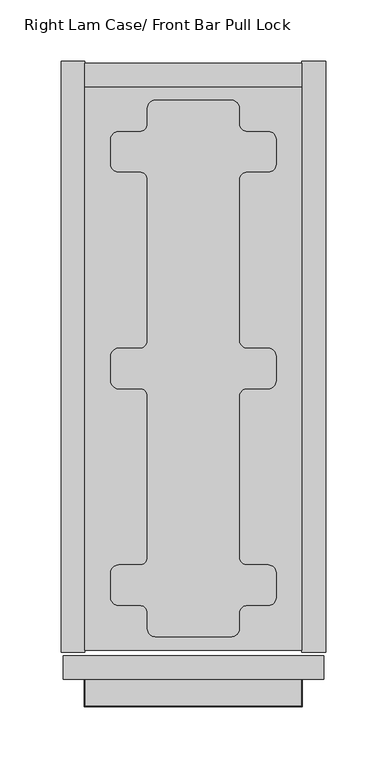
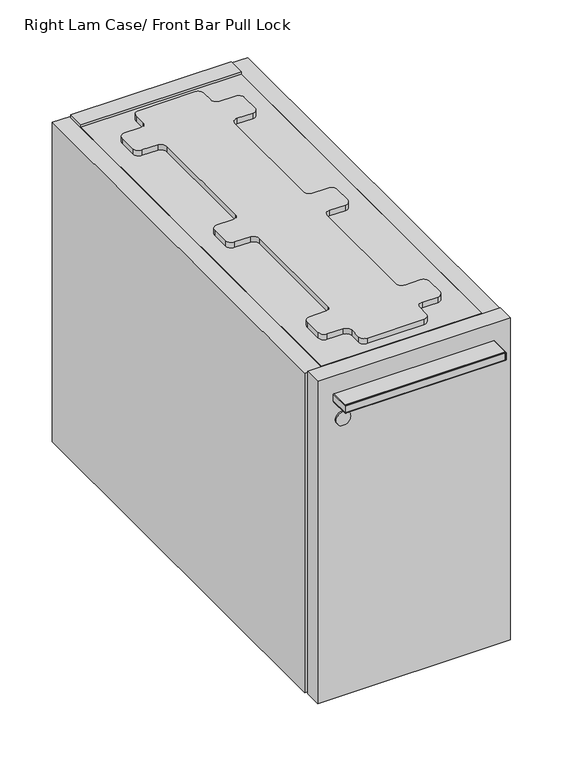
"""IFC4 building model written with IfcOpenShell, lengths in millimetres: furniture geometry, Right Lam Case/ Front Bar Pull Lock."""

from ifc_helpers import new_model, si_unit, point, frame, frame_2d, origin, place, context, project, spatial, polyline, circle_curve, ellipse_curve, trimmed, segment, composite_curve, outline, extrude, source, transform, mapped, element, save
from ifc_brep_helpers import plane_surface, cylinder_surface, revolved_surface, advanced_brep


def right_lam_case_front_bar_pull_lock_10119418(model_context):
    return source(origin(), model_context, "Body", "SolidModel", [
        advanced_brep(
        [(19.7683778, -581.1520271, 637.437981), (49.4603655, -581.1520271, 637.437981), (49.4637762, -597.06699, 637.437981), (166.4396285, -597.06699, 637.437981), (166.4430392, -581.1520271, 637.437981), (196.1316162, -581.1520271, 637.437981), (196.1316162, -602.6150339, 637.437981), (19.7683778, -602.6150339, 637.437981), (196.1316162, -581.1520271, 646.962981), (19.7683778, -581.1520271, 646.962981), (19.7683778, -602.6150339, 646.962981), (196.1316162, -602.6150339, 646.962981), (165.6442639, -581.1520271, 638.1487745), (159.3341925, -581.1520271, 643.7879532), (56.5658015, -581.1520271, 643.7879532), (50.2557301, -581.1520271, 638.1487745), (56.5658015, -597.06699, 643.7879532), (159.3341925, -597.06699, 643.7879532), (165.6442639, -597.06699, 638.1487745), (50.2557301, -597.06699, 638.1487745)],
        [
            (0, 1),
            (1, 2),
            (2, 3),
            (3, 4),
            (4, 5),
            (5, 6),
            (6, 7),
            (7, 0),
            (8, 9),
            (9, 10),
            (10, 11),
            (11, 8),
            (8, 5),
            (4, 12, circle_curve(frame((166.4396285, -581.1520271, 638.2383687), z_axis=(0.0, 1.0, 0.0), x_axis=(0.0, 0.0, -1.0)), 0.8003949)),
            (12, 13, circle_curve(frame((159.3341925, -581.1520271, 637.4379738), z_axis=(0.0, -1.0, 0.0), x_axis=(0.0, 0.0, -1.0)), 6.3499794)),
            (13, 14),
            (14, 15, circle_curve(frame((56.5658015, -581.1520271, 637.4379738), z_axis=(0.0, -1.0, 0.0), x_axis=(0.0, 0.0, -1.0)), 6.3499794)),
            (15, 1, circle_curve(frame((49.4603655, -581.1520271, 638.2383687), z_axis=(0.0, 1.0, 0.0), x_axis=(0.0, 0.0, -1.0)), 0.8003949)),
            (0, 9),
            (7, 10),
            (6, 11),
            (16, 17),
            (17, 18, circle_curve(frame((159.3341925, -597.06699, 637.4379738), z_axis=(0.0, 1.0, 0.0), x_axis=(0.0, 0.0, -1.0)), 6.3499794)),
            (18, 3, circle_curve(frame((166.4396285, -597.06699, 638.2383687), z_axis=(0.0, -1.0, 0.0), x_axis=(0.0, 0.0, -1.0)), 0.8003949)),
            (2, 19, circle_curve(frame((49.4603655, -597.06699, 638.2383687), z_axis=(0.0, -1.0, 0.0), x_axis=(0.0, 0.0, -1.0)), 0.8003949)),
            (19, 16, circle_curve(frame((56.5658015, -597.06699, 637.4379738), z_axis=(0.0, 1.0, 0.0), x_axis=(0.0, 0.0, -1.0)), 6.3499794)),
            (19, 15),
            (14, 16),
            (18, 12),
            (17, 13),
        ],
        [
            plane_surface(frame((-88.5000089, -581.1520271, 637.437981), z_axis=(0.0, 0.0, -1.0), x_axis=(-1.0, 0.0, 0.0))),
            plane_surface(frame((-88.5000089, -581.1520271, 646.962981), z_axis=(0.0, 0.0, 1.0), x_axis=(1.0, 0.0, 0.0))),
            plane_surface(frame((196.1316162, -581.1520271, 637.437981), z_axis=(0.0, 1.0, 0.0), x_axis=(0.0, 0.0, 1.0))),
            plane_surface(frame((19.7683778, -581.1520271, 637.437981), z_axis=(-1.0, 0.0, 0.0), x_axis=(0.0, 0.0, 1.0))),
            plane_surface(frame((19.7683778, -602.6150339, 637.437981), z_axis=(0.0, -1.0, 0.0), x_axis=(0.0, 0.0, 1.0))),
            plane_surface(frame((196.1316162, -602.6150339, 637.437981), z_axis=(1.0, 0.0, 0.0), x_axis=(0.0, 0.0, 1.0))),
            plane_surface(frame((107.949997, -597.06699, 642.200481), z_axis=(0.0, 1.0, 0.0), x_axis=(-1.0, 0.0, 0.0))),
            revolved_surface(polyline([(56.5658015, -581.1520271, 631.0879944), (56.5658015, -597.06699, 631.0879944)]), (56.5658015, -581.1520271, 637.4379738), (0.0, 1.0, 0.0)),
            cylinder_surface(frame((49.4603655, -581.1520271, 638.2383687), z_axis=(0.0, -1.0, 0.0), x_axis=(0.0, 0.0, -1.0)), 0.8003949),
            cylinder_surface(frame((166.4396285, -581.1520271, 638.2383687), z_axis=(0.0, -1.0, 0.0), x_axis=(0.0, 0.0, -1.0)), 0.8003949),
            revolved_surface(polyline([(159.3341925, -581.1520271, 631.0879944), (159.3341925, -597.06699, 631.0879944)]), (159.3341925, -581.1520271, 637.4379738), (0.0, 1.0, 0.0)),
            plane_surface(frame((159.3341925, -581.1520271, 643.7879532), z_axis=(0.0, 0.0, -1.0), x_axis=(0.0, -1.0, 0.0))),
        ],
        [
            (0, [[1, 2, 3, 4, 5, 6, 7, 8]]),
            (1, [[9, 10, 11, 12]]),
            (2, [[13, -5, 14, 15, 16, 17, 18, -1, 19, -9]]),
            (3, [[20, -10, -19, -8]]),
            (4, [[21, -11, -20, -7]]),
            (5, [[-13, -12, -21, -6]]),
            (6, [[22, 23, 24, -3, 25, 26]]),
            (7, [[27, -17, 28, -26]]),
            (8, [[-2, -18, -27, -25]]),
            (9, [[29, -14, -4, -24]]),
            (10, [[30, -15, -29, -23]]),
            (11, [[-28, -16, -30, -22]]),
        ],
    ),
        advanced_brep(
        [(196.1316162, -581.1520271, 637.4379629), (196.1316162, -581.1520271, 646.9577374), (196.8935973, -581.1520271, 646.1957018), (196.8935973, -581.1520271, 638.1999258), (196.8935973, -603.377015, 638.1999258), (196.1316162, -602.6150339, 637.4379629), (196.8935973, -603.377015, 646.1957018), (196.1316162, -602.6150339, 646.9577374), (19.0063967, -603.377015, 638.1999258), (19.7683778, -602.6150339, 637.4379629), (19.0063967, -603.377015, 646.1957018), (19.7683778, -602.6150339, 646.9577374), (19.7683778, -581.1520271, 637.4379629), (19.0063967, -581.1520271, 638.1999258), (19.0063967, -581.1520271, 646.1957018), (19.7683778, -581.1520271, 646.9577374)],
        [
            (0, 1),
            (1, 2, circle_curve(frame((196.1315617, -581.1520271, 646.1957018), z_axis=(0.0, 1.0, 0.0), x_axis=(-1.0, 0.0, 0.0)), 0.7620356)),
            (2, 3),
            (3, 0, circle_curve(frame((196.1316343, -581.1520271, 638.1999258), z_axis=(0.0, 1.0, 0.0), x_axis=(-1.0, 0.0, 0.0)), 0.7619629)),
            (3, 4),
            (4, 5, ellipse_curve(frame((196.1316343, -602.6150521, 638.1999258), z_axis=(0.7071067811865492, 0.7071067811865458, 0.0), x_axis=(-0.7071067811865457, 0.7071067811865492, 0.0)), 1.0775783, 0.7619629)),
            (5, 0),
            (2, 6),
            (6, 4),
            (1, 7),
            (7, 6, ellipse_curve(frame((196.1315617, -602.6149794, 646.1957018), z_axis=(0.7071067811865492, 0.7071067811865458, 0.0), x_axis=(-0.7071067811865457, 0.7071067811865492, 0.0)), 1.0776811, 0.7620356)),
            (5, 7),
            (4, 8),
            (8, 9, ellipse_curve(frame((19.7683596, -602.6150521, 638.1999258), z_axis=(0.7071067811865458, -0.7071067811865492, 0.0), x_axis=(0.7071067811865492, 0.7071067811865457, 0.0)), 1.0775783, 0.7619629)),
            (9, 5),
            (6, 10),
            (10, 8),
            (7, 11),
            (11, 10, ellipse_curve(frame((19.7684323, -602.6149794, 646.1957018), z_axis=(0.7071067811865458, -0.7071067811865492, 0.0), x_axis=(0.7071067811865492, 0.7071067811865457, 0.0)), 1.0776811, 0.7620356)),
            (9, 11),
            (12, 13, circle_curve(frame((19.7683596, -581.1520271, 638.1999258), z_axis=(0.0, 1.0, 0.0), x_axis=(1.0, 0.0, 0.0)), 0.7619629)),
            (13, 14),
            (14, 15, circle_curve(frame((19.7684323, -581.1520271, 646.1957018), z_axis=(0.0, 1.0, 0.0), x_axis=(1.0, 0.0, 0.0)), 0.7620356)),
            (15, 12),
            (8, 13),
            (12, 9),
            (10, 14),
            (11, 15),
        ],
        [
            plane_surface(frame((196.5959942, -581.1520271, 642.200481), z_axis=(0.0, 1.0, 0.0), x_axis=(0.0, 0.0, 1.0))),
            cylinder_surface(frame((196.1316343, -581.1520271, 638.1999258), z_axis=(0.0, 1.0, 0.0), x_axis=(-1.0, 0.0, 0.0)), 0.7619629),
            plane_surface(frame((196.8935973, -581.1520271, 638.1999258), z_axis=(1.0, 0.0, 0.0), x_axis=(0.0, -1.0, 0.0))),
            cylinder_surface(frame((196.1315617, -581.1520271, 646.1957018), z_axis=(0.0, 1.0, 0.0), x_axis=(-1.0, 0.0, 0.0)), 0.7620356),
            plane_surface(frame((196.1316162, -581.1520271, 646.9577374), z_axis=(-1.0, 0.0, 0.0), x_axis=(0.0, -1.0, 0.0))),
            cylinder_surface(frame((196.5959942, -602.6150521, 638.1999258), z_axis=(1.0, 0.0, 0.0), x_axis=(0.0, 1.0, 0.0)), 0.7619629),
            plane_surface(frame((196.8935973, -603.377015, 638.1999258), z_axis=(0.0, -1.0, 0.0), x_axis=(-1.0, 0.0, 0.0))),
            cylinder_surface(frame((196.5959942, -602.6149794, 646.1957018), z_axis=(1.0, 0.0, 0.0), x_axis=(0.0, 1.0, 0.0)), 0.7620356),
            plane_surface(frame((196.1316162, -602.6150339, 646.9577374), z_axis=(0.0, 1.0, 0.0), x_axis=(-1.0, 0.0, 0.0))),
            plane_surface(frame((19.3039998, -581.1520271, 642.200481), z_axis=(0.0, 1.0, 0.0), x_axis=(0.0, 0.0, 1.0))),
            cylinder_surface(frame((19.7683596, -603.0794119, 638.1999258), z_axis=(0.0, -1.0, 0.0), x_axis=(1.0, 0.0, 0.0)), 0.7619629),
            plane_surface(frame((19.0063967, -603.377015, 638.1999258), z_axis=(-1.0, 0.0, 0.0), x_axis=(0.0, 1.0, 0.0))),
            cylinder_surface(frame((19.7684323, -603.0794119, 646.1957018), z_axis=(0.0, -1.0, 0.0), x_axis=(1.0, 0.0, 0.0)), 0.7620356),
            plane_surface(frame((19.7683778, -602.6150339, 646.9577374), z_axis=(1.0, 0.0, 0.0), x_axis=(0.0, 1.0, 0.0))),
        ],
        [
            (0, [[1, 2, 3, 4]]),
            (1, [[5, 6, 7, -4]]),
            (2, [[8, 9, -5, -3]]),
            (3, [[10, 11, -8, -2]]),
            (4, [[-7, 12, -10, -1]]),
            (5, [[13, 14, 15, -6]]),
            (6, [[16, 17, -13, -9]]),
            (7, [[18, 19, -16, -11]]),
            (8, [[-15, 20, -18, -12]]),
            (9, [[21, 22, 23, 24]]),
            (10, [[25, -21, 26, -14]]),
            (11, [[27, -22, -25, -17]]),
            (12, [[28, -23, -27, -19]]),
            (13, [[-26, -24, -28, -20]]),
        ],
    ),
        extrude(outline(composite_curve([segment(trimmed(circle_curve(frame_2d((615.8130852, 29.0898123)), 8.0010015), [point((615.8130852, 37.0908138))], [point((615.8130852, 21.0888109))], False, "CARTESIAN"), True, "CONTINUOUS"), segment(trimmed(circle_curve(frame_2d((615.8130852, 29.0898123)), 8.0010015), [point((615.8130852, 21.0888109))], [point((615.8130852, 37.0908138))], False, "CARTESIAN"), True, "CONTINUOUS")], self_intersect=False)), frame((0.0, -582.7395029, 0.0), z_axis=(0.0, 1.0, 0.0), x_axis=(0.0, 0.0, 1.0)), (0.0, 0.0, 1.0), 1.5874758),
        extrude(outline(composite_curve([segment(trimmed(circle_curve(frame_2d((139.0999988, -114.4669956)), 6.3499939), [point((139.0999988, -108.1170017))], [point((145.4499927, -114.4669956))], False, "CARTESIAN"), True, "CONTINUOUS"), segment(polyline([(145.4499927, -114.4669956), (145.4499927, -127.2670047)]), True, "CONTINUOUS"), segment(trimmed(circle_curve(frame_2d((151.7999957, -127.2670047)), 6.350003), [point((145.4499927, -127.2670047))], [point((151.7999957, -133.6170077))], True, "CARTESIAN"), True, "CONTINUOUS"), segment(polyline([(151.7999957, -133.6170077), (169.0999981, -133.6170077)]), True, "CONTINUOUS"), segment(trimmed(circle_curve(frame_2d((169.0999981, -139.9670016)), 6.3499939), [point((169.0999981, -133.6170077))], [point((175.449992, -139.9670016))], False, "CARTESIAN"), True, "CONTINUOUS"), segment(polyline([(175.449992, -139.9670016), (175.449992, -160.2670116)]), True, "CONTINUOUS"), segment(trimmed(circle_curve(frame_2d((169.0999936, -160.2670116)), 6.3499985), [point((175.449992, -160.2670116))], [point((169.0999936, -166.6170101))], False, "CARTESIAN"), True, "CONTINUOUS"), segment(polyline([(169.0999936, -166.6170101), (151.7999957, -166.6170101)]), True, "CONTINUOUS"), segment(trimmed(circle_curve(frame_2d((151.7999957, -172.9670131)), 6.350003), [point((151.7999957, -166.6170101))], [point((145.4499927, -172.9670131))], True, "CARTESIAN"), True, "CONTINUOUS"), segment(polyline([(145.4499927, -172.9670131), (145.4499927, -304.2670111)]), True, "CONTINUOUS"), segment(trimmed(circle_curve(frame_2d((151.7999957, -304.2670111)), 6.350003), [point((145.4499927, -304.2670111))], [point((151.7999957, -310.6170141))], True, "CARTESIAN"), True, "CONTINUOUS"), segment(polyline([(151.7999957, -310.6170141), (169.1000163, -310.6170141)]), True, "CONTINUOUS"), segment(trimmed(circle_curve(frame_2d((169.1000163, -316.9669899)), 6.3499758), [point((169.1000163, -310.6170141))], [point((175.449992, -316.9669899))], False, "CARTESIAN"), True, "CONTINUOUS"), segment(polyline([(175.449992, -316.9669899), (175.449992, -337.2670044)]), True, "CONTINUOUS"), segment(trimmed(circle_curve(frame_2d((169.1000163, -337.2670044)), 6.3499758), [point((175.449992, -337.2670044))], [point((169.1000163, -343.6169802))], False, "CARTESIAN"), True, "CONTINUOUS"), segment(polyline([(169.1000163, -343.6169802), (151.7999957, -343.6169802)]), True, "CONTINUOUS"), segment(trimmed(circle_curve(frame_2d((151.7999957, -349.9669832)), 6.350003), [point((151.7999957, -343.6169802))], [point((145.4499927, -349.9669832))], True, "CARTESIAN"), True, "CONTINUOUS"), segment(polyline([(145.4499927, -349.9669832), (145.4499927, -481.2669812)]), True, "CONTINUOUS"), segment(trimmed(circle_curve(frame_2d((151.7999957, -481.2669812)), 6.350003), [point((145.4499927, -481.2669812))], [point((151.7999957, -487.6169842))], True, "CARTESIAN"), True, "CONTINUOUS"), segment(polyline([(151.7999957, -487.6169842), (169.0999936, -487.6169842)]), True, "CONTINUOUS"), segment(trimmed(circle_curve(frame_2d((169.0999936, -493.9669827)), 6.3499985), [point((169.0999936, -487.6169842))], [point((175.449992, -493.9669827))], False, "CARTESIAN"), True, "CONTINUOUS"), segment(polyline([(175.449992, -493.9669827), (175.449992, -514.2669927)]), True, "CONTINUOUS"), segment(trimmed(circle_curve(frame_2d((169.0999981, -514.2669927)), 6.3499939), [point((175.449992, -514.2669927))], [point((169.0999981, -520.6169867))], False, "CARTESIAN"), True, "CONTINUOUS"), segment(polyline([(169.0999981, -520.6169867), (151.7999957, -520.6169867)]), True, "CONTINUOUS"), segment(trimmed(circle_curve(frame_2d((151.7999957, -526.9669897)), 6.350003), [point((151.7999957, -520.6169867))], [point((145.4499927, -526.9669897))], True, "CARTESIAN"), True, "CONTINUOUS"), segment(polyline([(145.4499927, -526.9669897), (145.4499927, -539.7669987)]), True, "CONTINUOUS"), segment(trimmed(circle_curve(frame_2d((139.0999988, -539.7669987)), 6.3499939), [point((145.4499927, -539.7669987))], [point((139.0999988, -546.1169927))], False, "CARTESIAN"), True, "CONTINUOUS"), segment(polyline([(139.0999988, -546.1169927), (76.7999952, -546.1169927)]), True, "CONTINUOUS"), segment(trimmed(circle_curve(frame_2d((76.7999952, -539.7669987)), 6.3499939), [point((76.7999952, -546.1169927))], [point((70.4500012, -539.7669987))], False, "CARTESIAN"), True, "CONTINUOUS"), segment(polyline([(70.4500012, -539.7669987), (70.4500012, -526.9669897)]), True, "CONTINUOUS"), segment(trimmed(circle_curve(frame_2d((64.0999982, -526.9669897)), 6.350003), [point((70.4500012, -526.9669897))], [point((64.0999982, -520.6169867))], True, "CARTESIAN"), True, "CONTINUOUS"), segment(polyline([(64.0999982, -520.6169867), (46.7999959, -520.6169867)]), True, "CONTINUOUS"), segment(trimmed(circle_curve(frame_2d((46.7999959, -514.2669927)), 6.3499939), [point((46.7999959, -520.6169867))], [point((40.4500019, -514.2669927))], False, "CARTESIAN"), True, "CONTINUOUS"), segment(polyline([(40.4500019, -514.2669927), (40.4500019, -493.9669827)]), True, "CONTINUOUS"), segment(trimmed(circle_curve(frame_2d((46.8000004, -493.9669827)), 6.3499985), [point((40.4500019, -493.9669827))], [point((46.8000004, -487.6169842))], False, "CARTESIAN"), True, "CONTINUOUS"), segment(polyline([(46.8000004, -487.6169842), (64.0999982, -487.6169842)]), True, "CONTINUOUS"), segment(trimmed(circle_curve(frame_2d((64.0999982, -481.2669812)), 6.350003), [point((64.0999982, -487.6169842))], [point((70.4500012, -481.2669812))], True, "CARTESIAN"), True, "CONTINUOUS"), segment(polyline([(70.4500012, -481.2669812), (70.4500012, -349.9669832)]), True, "CONTINUOUS"), segment(trimmed(circle_curve(frame_2d((64.0999982, -349.9669832)), 6.350003), [point((70.4500012, -349.9669832))], [point((64.0999982, -343.6169802))], True, "CARTESIAN"), True, "CONTINUOUS"), segment(polyline([(64.0999982, -343.6169802), (46.7999777, -343.6169802)]), True, "CONTINUOUS"), segment(trimmed(circle_curve(frame_2d((46.7999777, -337.2670044)), 6.3499758), [point((46.7999777, -343.6169802))], [point((40.4500019, -337.2670044))], False, "CARTESIAN"), True, "CONTINUOUS"), segment(polyline([(40.4500019, -337.2670044), (40.4500019, -316.9669899)]), True, "CONTINUOUS"), segment(trimmed(circle_curve(frame_2d((46.7999777, -316.9669899)), 6.3499758), [point((40.4500019, -316.9669899))], [point((46.7999777, -310.6170141))], False, "CARTESIAN"), True, "CONTINUOUS"), segment(polyline([(46.7999777, -310.6170141), (64.0999982, -310.6170141)]), True, "CONTINUOUS"), segment(trimmed(circle_curve(frame_2d((64.0999982, -304.2670111)), 6.350003), [point((64.0999982, -310.6170141))], [point((70.4500012, -304.2670111))], True, "CARTESIAN"), True, "CONTINUOUS"), segment(polyline([(70.4500012, -304.2670111), (70.4500012, -172.9670131)]), True, "CONTINUOUS"), segment(trimmed(circle_curve(frame_2d((64.0999982, -172.9670131)), 6.350003), [point((70.4500012, -172.9670131))], [point((64.0999982, -166.6170101))], True, "CARTESIAN"), True, "CONTINUOUS"), segment(polyline([(64.0999982, -166.6170101), (46.8000004, -166.6170101)]), True, "CONTINUOUS"), segment(trimmed(circle_curve(frame_2d((46.8000004, -160.2670116)), 6.3499985), [point((46.8000004, -166.6170101))], [point((40.4500019, -160.2670116))], False, "CARTESIAN"), True, "CONTINUOUS"), segment(polyline([(40.4500019, -160.2670116), (40.4500019, -139.9670016)]), True, "CONTINUOUS"), segment(trimmed(circle_curve(frame_2d((46.7999959, -139.9670016)), 6.3499939), [point((40.4500019, -139.9670016))], [point((46.7999959, -133.6170077))], False, "CARTESIAN"), True, "CONTINUOUS"), segment(polyline([(46.7999959, -133.6170077), (64.0999982, -133.6170077)]), True, "CONTINUOUS"), segment(trimmed(circle_curve(frame_2d((64.0999982, -127.2670047)), 6.350003), [point((64.0999982, -133.6170077))], [point((70.4500012, -127.2670047))], True, "CARTESIAN"), True, "CONTINUOUS"), segment(polyline([(70.4500012, -127.2670047), (70.4500012, -114.4669956)]), True, "CONTINUOUS"), segment(trimmed(circle_curve(frame_2d((76.7999952, -114.4669956)), 6.3499939), [point((70.4500012, -114.4669956))], [point((76.7999952, -108.1170017))], False, "CARTESIAN"), True, "CONTINUOUS"), segment(polyline([(76.7999952, -108.1170017), (139.0999988, -108.1170017)]), True, "CONTINUOUS")], self_intersect=False)), frame((0.0, 0.0, 664.4129333), z_axis=(0.0, 0.0, 1.0), x_axis=(1.0, 0.0, 0.0)), (0.0, 0.0, 1.0), 6.3500484),
        extrude(outline(polyline([(19.3039998, -557.2409866), (19.3039998, -96.9930077), (196.5959942, -96.9930077), (196.5959942, -557.2409866), (19.3039998, -557.2409866)])), frame((0.0, 0.0, 645.1089518), z_axis=(0.0, 0.0, 1.0), x_axis=(1.0, 0.0, 0.0)), (0.0, 0.0, 1.0), 19.3039816),
        extrude(outline(polyline([(19.3039998, -557.2409866), (19.3039998, -96.9930077), (196.5959942, -96.9930077), (196.5959942, -557.2409866), (19.3039998, -557.2409866)])), frame((0.0, 0.0, 291.2879432), z_axis=(0.0, 0.0, 1.0), x_axis=(1.0, 0.0, 0.0)), (0.0, 0.0, 1.0), 19.3039998),
        extrude(outline(polyline([(19.3039998, -77.6890261), (196.5959942, -77.6890261), (196.5959942, -96.9930077), (19.3039998, -96.9930077), (19.3039998, -77.6890261)])), frame((0.0, 0.0, 291.2879432), z_axis=(0.0, 0.0, 1.0), x_axis=(1.0, 0.0, 0.0)), (0.0, 0.0, 1.0), 376.3000144),
        extrude(outline(polyline([(19.3039998, -558.7650215), (0.0, -558.7650215), (0.0, -76.1649912), (19.3039998, -76.1649912), (19.3039998, -558.7650215)])), frame((0.0, 0.0, 291.2879432), z_axis=(0.0, 0.0, 1.0), x_axis=(1.0, 0.0, 0.0)), (0.0, 0.0, 1.0), 373.1249901),
        extrude(outline(polyline([(196.5959942, -558.7650215), (196.5959942, -76.1649912), (215.8999939, -76.1649912), (215.8999939, -558.7650215), (196.5959942, -558.7650215)])), frame((0.0, 0.0, 291.2879432), z_axis=(0.0, 0.0, 1.0), x_axis=(1.0, 0.0, 0.0)), (0.0, 0.0, 1.0), 373.1249901),
        extrude(outline(polyline([(1.5748, -561.8480455), (214.325194, -561.8480455), (214.325194, -581.1520271), (1.5748, -581.1520271), (1.5748, -561.8480455)])), frame((0.0, 0.0, 291.2879432), z_axis=(0.0, 0.0, 1.0), x_axis=(1.0, 0.0, 0.0)), (0.0, 0.0, 1.0), 376.3000144),
    ])


if __name__ == "__main__":
    model = new_model("IFC4")
    model_context = context("Model", 3, world=origin())
    ifc_project = project(units=[si_unit("LENGTHUNIT", "METRE", prefix="MILLI")], contexts=[model_context])
    site = spatial("IfcSite", under=ifc_project)
    building = spatial("IfcBuilding", under=site)
    placement = place(None, origin())
    right_lam_case_front_bar_pull_lock_shape = right_lam_case_front_bar_pull_lock_10119418(model_context)
    element("IfcFurniture", 1, ObjectType="Right Lam Case/ Front Bar Pull Lock", at=placement, inside=building, context=model_context, shape_type="MappedRepresentation", body=[
        mapped(right_lam_case_front_bar_pull_lock_shape, transform((0.0, 0.0, 0.0), x_axis=(1.0, 0.0, 0.0), y_axis=(0.0, 1.0, 0.0), z_axis=(0.0, 0.0, 1.0))),
    ])
    save(model, "model.ifc")
